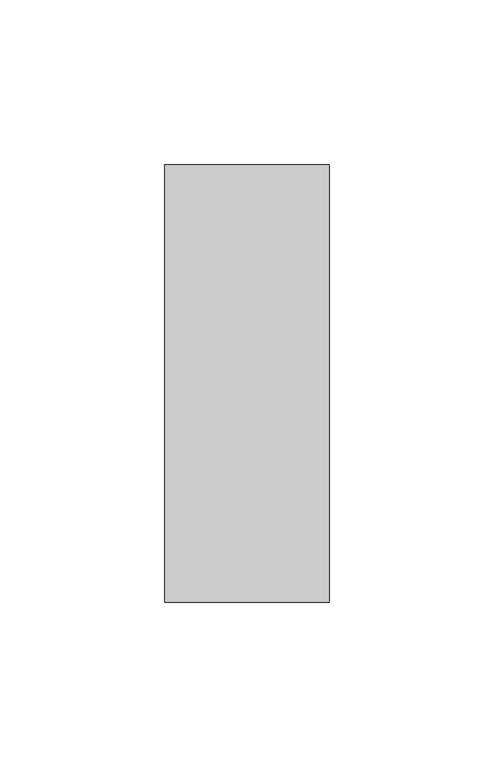
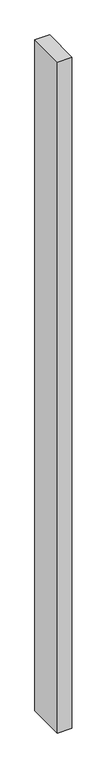
"""IFC4 building model written with IfcOpenShell, lengths in millimetres: member geometry."""

from ifc_helpers import new_model, si_unit, frame, origin, place, context, project, spatial, polyline, outline, extrude, source, transform, mapped, element, save


def member_d7dc8079(model_context):
    return source(origin(), model_context, "Body", "SweptSolid", [
        extrude(outline(polyline([(25.0, -22.0), (-25.0, -22.0), (-25.0, 111.0), (25.0, 111.0), (25.0, -22.0)])), frame((0.0, 0.0, -2425.0), z_axis=(0.0, 0.0, 1.0), x_axis=(1.0, 0.0, 0.0)), (0.0, 0.0, 1.0), 2425.0),
    ])


if __name__ == "__main__":
    model = new_model("IFC4")
    model_context = context("Model", 3, world=origin())
    ifc_project = project(units=[si_unit("LENGTHUNIT", "METRE", prefix="MILLI")], contexts=[model_context])
    site = spatial("IfcSite", under=ifc_project)
    building = spatial("IfcBuilding", under=site)
    placement = place(None, origin())
    member_shape = member_d7dc8079(model_context)
    element("IfcMember", 1, at=placement, inside=building, context=model_context, shape_type="MappedRepresentation", body=[
        mapped(member_shape, transform((0.0, 0.0, 0.0), x_axis=(1.0, 0.0, 0.0), y_axis=(0.0, 1.0, 0.0), z_axis=(0.0, 0.0, 1.0))),
    ])
    save(model, "model.ifc")
